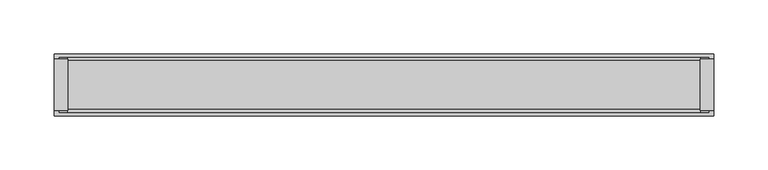
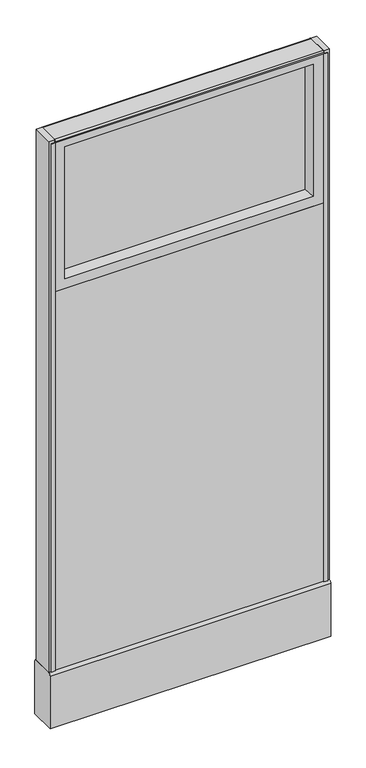
"""IFC4 building model written with IfcOpenShell, lengths in millimetres: furniture geometry."""

from ifc_helpers import new_model, si_unit, point, frame, frame_2d, origin, place, context, project, spatial, polyline, circle_curve, trimmed, segment, composite_curve, outline, extrude, faceted_brep, source, transform, mapped, element, save
from ifc_brep_helpers import plane_surface, cylinder_surface, advanced_brep


def furniture_56787cd8(model_context):
    return source(origin(), model_context, "Body", "SolidModel", [
        extrude(outline(polyline([(292.1, 23.8125), (292.1, 0.0), (-292.1, 0.0), (-292.1, 23.8125), (292.1, 23.8125)])), frame((0.0, 0.0, 136.525), z_axis=(0.0, 0.0, 1.0), x_axis=(1.0, 0.0, 0.0)), (0.0, 0.0, 1.0), 869.9500242),
        extrude(outline(polyline([(263.5280802, 3.5657282), (263.5280802, -3.5657282), (-263.5209786, -3.5657282), (-263.5209786, 3.5657282), (263.5280802, 3.5657282)])), frame((0.0, 0.0, 1035.0500242), z_axis=(0.0, 0.0, 1.0), x_axis=(1.0, 0.0, 0.0)), (0.0, 0.0, 1.0), 290.5125727),
        faceted_brep([(269.8790846, 23.8125, 1028.6990198), (263.5280802, 3.5657282, 1035.0500242), (263.5280802, 3.5657282, 1325.5625969), (269.8790846, 23.8125, 1331.9136014), (292.1030802, -23.8125, 1006.4750242), (292.1030802, 23.8125, 1006.4750242), (292.1030802, 23.8125, 1354.1375969), (292.1030802, -23.8125, 1354.1375969), (263.5280802, -3.5657282, 1035.0500242), (269.8790846, -23.8125, 1028.6990198), (269.8790846, -23.8125, 1331.9136014), (263.5280802, -3.5657282, 1325.5625969), (-263.5209786, 3.5657282, 1325.5625969), (-269.8719831, 23.8125, 1331.9136014), (-292.0959786, 23.8125, 1354.1375969), (-292.0959786, -23.8125, 1354.1375969), (-269.8719831, -23.8125, 1331.9136014), (-263.5209786, -3.5657282, 1325.5625969), (-263.5209786, 3.5657282, 1035.0500242), (-269.8719831, 23.8125, 1028.6990198), (-292.0959786, 23.8125, 1006.4750242), (-292.0959786, -23.8125, 1006.4750242), (-269.8719831, -23.8125, 1028.6990198), (-263.5209786, -3.5657282, 1035.0500242)], [[[0, 1, 2, 3]], [[4, 5, 6, 7]], [[8, 9, 10, 11]], [[1, 8, 11, 2]], [[3, 2, 12, 13]], [[7, 6, 14, 15]], [[11, 10, 16, 17]], [[2, 11, 17, 12]], [[13, 12, 18, 19]], [[15, 14, 20, 21]], [[17, 16, 22, 23]], [[12, 17, 23, 18]], [[19, 18, 1, 0]], [[5, 20, 14, 6], [3, 13, 19, 0]], [[21, 20, 5, 4]], [[7, 15, 21, 4], [9, 22, 16, 10]], [[23, 22, 9, 8]], [[18, 23, 8, 1]]]),
        advanced_brep(
        [(247.65, 0.0, 0.0), (273.05, 0.0, 0.0), (260.35, 0.0, 0.0), (247.65, 0.0, 4.7625), (273.05, 0.0, 4.7625), (254.0, 0.0, 4.7625), (266.7, 0.0, 4.7625), (254.0, 0.0, 111.125), (266.7, 0.0, 111.125), (260.35, 0.0, 111.125)],
        [
            (0, 1, circle_curve(frame((260.35, 0.0, 0.0), z_axis=(0.0, 0.0, -1.0), x_axis=(1.0, 0.0, 0.0)), 12.7)),
            (1, 2),
            (2, 0),
            (1, 0, circle_curve(frame((260.35, 0.0, 0.0), z_axis=(0.0, 0.0, -1.0), x_axis=(1.0, 0.0, 0.0)), 12.7)),
            (3, 4, circle_curve(frame((260.35, 0.0, 4.7625), z_axis=(0.0, 0.0, -1.0), x_axis=(1.0, 0.0, 0.0)), 12.7)),
            (4, 1),
            (0, 3),
            (4, 3, circle_curve(frame((260.35, 0.0, 4.7625), z_axis=(0.0, 0.0, -1.0), x_axis=(1.0, 0.0, 0.0)), 12.7)),
            (5, 6, circle_curve(frame((260.35, 0.0, 4.7625), z_axis=(0.0, 0.0, -1.0), x_axis=(1.0, 0.0, 0.0)), 6.35)),
            (6, 4),
            (3, 5),
            (6, 5, circle_curve(frame((260.35, 0.0, 4.7625), z_axis=(0.0, 0.0, -1.0), x_axis=(1.0, 0.0, 0.0)), 6.35)),
            (7, 8, circle_curve(frame((260.35, 0.0, 111.125), z_axis=(0.0, 0.0, -1.0), x_axis=(1.0, 0.0, 0.0)), 6.35)),
            (8, 6),
            (5, 7),
            (8, 7, circle_curve(frame((260.35, 0.0, 111.125), z_axis=(0.0, 0.0, -1.0), x_axis=(1.0, 0.0, 0.0)), 6.35)),
            (9, 8),
            (7, 9),
        ],
        [
            plane_surface(frame((260.35, 0.0, 0.0), z_axis=(0.0, 0.0, -1.0), x_axis=(1.0, 0.0, 0.0))),
            cylinder_surface(frame((260.35, 0.0, 114.882153), z_axis=(0.0, 0.0, 1.0), x_axis=(1.0, 0.0, 0.0)), 12.7),
            plane_surface(frame((260.35, 0.0, 4.7625), z_axis=(0.0, 0.0, 1.0), x_axis=(1.0, 0.0, 0.0))),
            cylinder_surface(frame((260.35, 0.0, 114.882153), z_axis=(0.0, 0.0, 1.0), x_axis=(1.0, 0.0, 0.0)), 6.35),
            plane_surface(frame((260.35, 0.0, 111.125), z_axis=(0.0, 0.0, 1.0), x_axis=(1.0, 0.0, 0.0))),
        ],
        [
            (0, [[1, 2, 3]]),
            (0, [[4, -3, -2]]),
            (1, [[5, 6, -1, 7]]),
            (1, [[8, -7, -4, -6]]),
            (2, [[9, 10, -5, 11]]),
            (2, [[12, -11, -8, -10]]),
            (3, [[13, 14, -9, 15]]),
            (3, [[16, -15, -12, -14]]),
            (4, [[17, -13, 18]]),
            (4, [[-18, -16, -17]]),
        ],
    ),
        advanced_brep(
        [(-273.05, 0.0, 4.7625), (-247.65, 0.0, 4.7625), (-247.65, 0.0, 0.0), (-273.05, 0.0, 0.0), (-266.7, 0.0, 4.7625), (-254.0, 0.0, 4.7625), (-266.7, 0.0, 111.125), (-254.0, 0.0, 111.125), (-260.35, 0.0, 111.125), (-260.35, 0.0, 0.0)],
        [
            (0, 1, circle_curve(frame((-260.35, 0.0, 4.7625), z_axis=(0.0, 0.0, -1.0), x_axis=(1.0, 0.0, 0.0)), 12.7)),
            (1, 2),
            (2, 3, circle_curve(frame((-260.35, 0.0, 0.0), z_axis=(0.0, 0.0, 1.0), x_axis=(1.0, 0.0, 0.0)), 12.7)),
            (3, 0),
            (1, 0, circle_curve(frame((-260.35, 0.0, 4.7625), z_axis=(0.0, 0.0, -1.0), x_axis=(1.0, 0.0, 0.0)), 12.7)),
            (3, 2, circle_curve(frame((-260.35, 0.0, 0.0), z_axis=(0.0, 0.0, 1.0), x_axis=(1.0, 0.0, 0.0)), 12.7)),
            (4, 5, circle_curve(frame((-260.35, 0.0, 4.7625), z_axis=(0.0, 0.0, -1.0), x_axis=(1.0, 0.0, 0.0)), 6.35)),
            (5, 1),
            (0, 4),
            (5, 4, circle_curve(frame((-260.35, 0.0, 4.7625), z_axis=(0.0, 0.0, -1.0), x_axis=(1.0, 0.0, 0.0)), 6.35)),
            (6, 7, circle_curve(frame((-260.35, 0.0, 111.125), z_axis=(0.0, 0.0, -1.0), x_axis=(1.0, 0.0, 0.0)), 6.35)),
            (7, 5),
            (4, 6),
            (7, 6, circle_curve(frame((-260.35, 0.0, 111.125), z_axis=(0.0, 0.0, -1.0), x_axis=(1.0, 0.0, 0.0)), 6.35)),
            (8, 7),
            (6, 8),
            (2, 9),
            (9, 3),
        ],
        [
            cylinder_surface(frame((-260.35, 0.0, 123.825), z_axis=(0.0, 0.0, 1.0), x_axis=(1.0, 0.0, 0.0)), 12.7),
            plane_surface(frame((-260.35, 0.0, 4.7625), z_axis=(0.0, 0.0, 1.0), x_axis=(1.0, 0.0, 0.0))),
            cylinder_surface(frame((-260.35, 0.0, 123.825), z_axis=(0.0, 0.0, 1.0), x_axis=(1.0, 0.0, 0.0)), 6.35),
            plane_surface(frame((-260.35, 0.0, 111.125), z_axis=(0.0, 0.0, 1.0), x_axis=(1.0, 0.0, 0.0))),
            plane_surface(frame((-260.35, 0.0, 0.0), z_axis=(0.0, 0.0, -1.0), x_axis=(1.0, 0.0, 0.0))),
        ],
        [
            (0, [[1, 2, 3, 4]]),
            (0, [[5, -4, 6, -2]]),
            (1, [[7, 8, -1, 9]]),
            (1, [[10, -9, -5, -8]]),
            (2, [[11, 12, -7, 13]]),
            (2, [[14, -13, -10, -12]]),
            (3, [[15, -11, 16]]),
            (3, [[-16, -14, -15]]),
            (4, [[-3, 17, 18]]),
            (4, [[-6, -18, -17]]),
        ],
    ),
        extrude(outline(polyline([(-304.8, 23.8125), (-292.1, 23.8125), (-292.1, -23.8125), (-304.8, -23.8125), (-304.8, 23.8125)])), frame((0.0, 0.0, 136.525), z_axis=(0.0, 0.0, 1.0), x_axis=(1.0, 0.0, 0.0)), (0.0, 0.0, 1.0), 1219.2),
        extrude(outline(polyline([(292.1, -23.8125), (292.1, 23.8125), (304.8, 23.8125), (304.8, -23.8125), (292.1, -23.8125)])), frame((0.0, 0.0, 136.525), z_axis=(0.0, 0.0, 1.0), x_axis=(1.0, 0.0, 0.0)), (0.0, 0.0, 1.0), 1219.2),
        extrude(outline(polyline([(-292.1, 25.4), (-292.1, 23.8125), (-300.0375, 23.8125), (-300.0375, 25.4), (-292.1, 25.4)])), frame((0.0, 0.0, 136.525), z_axis=(0.0, 0.0, 1.0), x_axis=(1.0, 0.0, 0.0)), (0.0, 0.0, 1.0), 1212.85),
        extrude(outline(polyline([(-292.1, -25.4), (-300.0375, -25.4), (-300.0375, -23.8125), (-292.1, -23.8125), (-292.1, -25.4)])), frame((0.0, 0.0, 136.525), z_axis=(0.0, 0.0, 1.0), x_axis=(1.0, 0.0, 0.0)), (0.0, 0.0, 1.0), 1212.85),
        extrude(outline(polyline([(300.0375, 23.8125), (292.1, 23.8125), (292.1, 25.4), (300.0375, 25.4), (300.0375, 23.8125)])), frame((0.0, 0.0, 136.525), z_axis=(0.0, 0.0, 1.0), x_axis=(1.0, 0.0, 0.0)), (0.0, 0.0, 1.0), 1212.85),
        extrude(outline(polyline([(292.1, -25.4), (292.1, -23.8125), (300.0375, -23.8125), (300.0375, -25.4), (292.1, -25.4)])), frame((0.0, 0.0, 136.525), z_axis=(0.0, 0.0, 1.0), x_axis=(1.0, 0.0, 0.0)), (0.0, 0.0, 1.0), 1212.85),
        extrude(outline(composite_curve([segment(trimmed(circle_curve(frame_2d((22.225, 1352.55)), 3.175), [point((22.225, 1355.725))], [point((25.4, 1352.55))], False, "CARTESIAN"), True, "CONTINUOUS"), segment(polyline([(25.4, 1352.55), (25.4, 1349.375), (-25.4, 1349.375), (-25.4, 1352.55)]), True, "CONTINUOUS"), segment(trimmed(circle_curve(frame_2d((-22.225, 1352.55)), 3.175), [point((-25.4, 1352.55))], [point((-22.225, 1355.725))], False, "CARTESIAN"), True, "CONTINUOUS"), segment(polyline([(-22.225, 1355.725), (22.225, 1355.725)]), True, "CONTINUOUS")], self_intersect=False)), frame((-292.1, 0.0, 0.0), z_axis=(1.0, 0.0, 0.0), x_axis=(0.0, 1.0, 0.0)), (0.0, 0.0, 1.0), 584.2),
        extrude(outline(composite_curve([segment(polyline([(28.575, 9.525), (-28.575, 9.525), (-28.575, 130.96875)]), True, "CONTINUOUS"), segment(trimmed(circle_curve(frame_2d((-23.01875, 130.96875)), 5.55625), [point((-28.575, 130.96875))], [point((-23.01875, 136.525))], False, "CARTESIAN"), True, "CONTINUOUS"), segment(polyline([(-23.01875, 136.525), (23.01875, 136.525)]), True, "CONTINUOUS"), segment(trimmed(circle_curve(frame_2d((23.01875, 130.96875)), 5.55625), [point((23.01875, 136.525))], [point((28.575, 130.96875))], False, "CARTESIAN"), True, "CONTINUOUS"), segment(polyline([(28.575, 130.96875), (28.575, 9.525)]), True, "CONTINUOUS")], self_intersect=False)), frame((-304.8, 0.0, 0.0), z_axis=(1.0, 0.0, 0.0), x_axis=(0.0, 1.0, 0.0)), (0.0, 0.0, 1.0), 609.6),
        extrude(outline(polyline([(292.1, 0.0), (292.1, -23.8125), (-292.1, -23.8125), (-292.1, 0.0), (292.1, 0.0)])), frame((0.0, 0.0, 136.525), z_axis=(0.0, 0.0, 1.0), x_axis=(1.0, 0.0, 0.0)), (0.0, 0.0, 1.0), 869.9500242),
    ])


if __name__ == "__main__":
    model = new_model("IFC4")
    model_context = context("Model", 3, world=origin())
    ifc_project = project(units=[si_unit("LENGTHUNIT", "METRE", prefix="MILLI")], contexts=[model_context])
    site = spatial("IfcSite", under=ifc_project)
    building = spatial("IfcBuilding", under=site)
    placement = place(None, origin())
    furniture_shape = furniture_56787cd8(model_context)
    element("IfcFurniture", 1, at=placement, inside=building, context=model_context, shape_type="MappedRepresentation", body=[
        mapped(furniture_shape, transform((0.0, 0.0, 0.0), x_axis=(1.0, 0.0, 0.0), y_axis=(0.0, 1.0, 0.0), z_axis=(0.0, 0.0, 1.0))),
    ])
    save(model, "model.ifc")
